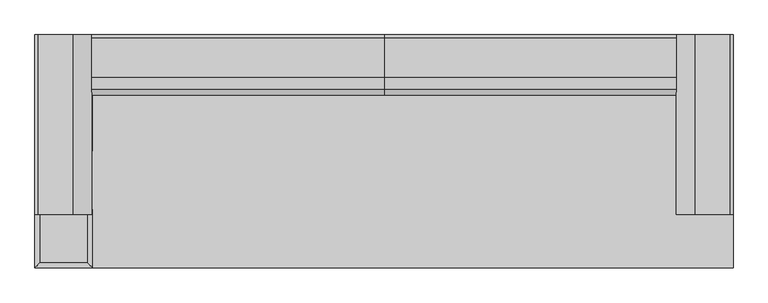
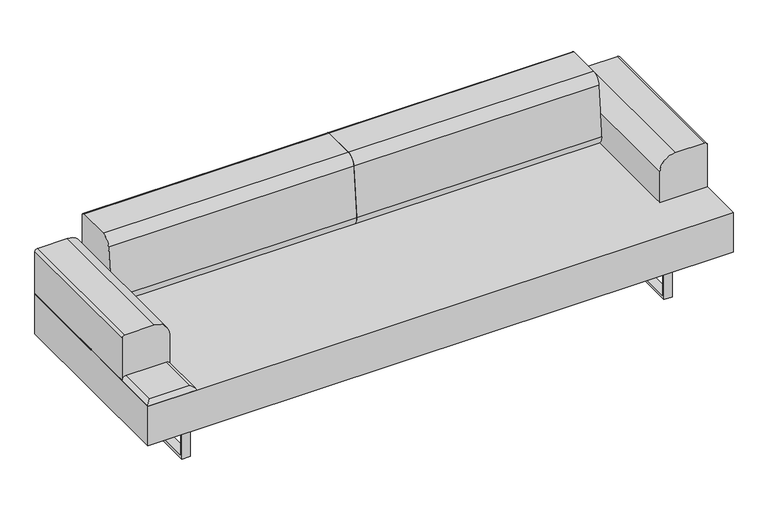
"""IFC4 building model written with IfcOpenShell, lengths in millimetres: furniture geometry."""

import ifcopenshell
import ifcopenshell.guid

model = None  # the IFC model being written
_history = None  # IfcOwnerHistory: only IFC2X3 demands one
_inside = {}  # id of a spatial element -> (the spatial element, [elements in it])
_under = {}  # id of a project, library or spatial element -> (it, [spatial elements below it])
_declared = {}  # id of a project -> (the project, [libraries it declares])
_typed = {}  # id of a type object -> (the type object, [elements of that type])
_made_of = {}  # id of a material, layer set ... -> (it, [elements and type objects made of it])


def new_model(schema):
    """Start an empty IFC model of exactly this schema.

    Asked for "IFC4X3", IfcOpenShell would pick the latest addendum, in which some entities
    have other attributes; the version numbers below select the first issue.
    IFC2X3 requires an IfcOwnerHistory on every rooted entity: one is made here for all.
    """
    global model, _history
    if schema == "IFC4X3":
        model = ifcopenshell.file(schema_version=(4, 3, 0, 0))
    else:
        model = ifcopenshell.file(schema=schema)
    _inside.clear()
    _under.clear()
    _declared.clear()
    _typed.clear()
    _made_of.clear()
    _history = None
    if model.schema == "IFC2X3":
        org = make("IfcOrganization", Name="unknown")
        user = make(
            "IfcPersonAndOrganization",
            ThePerson=make("IfcPerson", FamilyName="unknown"),
            TheOrganization=org,
        )
        app = make(
            "IfcApplication",
            ApplicationDeveloper=org,
            Version="unknown",
            ApplicationFullName="unknown",
            ApplicationIdentifier="unknown",
        )
        _history = make(
            "IfcOwnerHistory",
            OwningUser=user,
            OwningApplication=app,
            ChangeAction="ADDED",
            CreationDate=0,
        )
    return model


def make(cls, **values):
    """One entity of the class cls with the attributes given. An attribute that is None is left unset."""
    return model.create_entity(
        cls, **{name: value for name, value in values.items() if value is not None}
    )


def rooted(cls, **values):
    """An entity with a GlobalId (a new one), such as an element, a storey or a relation."""
    return make(cls, GlobalId=ifcopenshell.guid.new(), OwnerHistory=_history, **values)


def si_unit(unit_type, name, prefix=None):
    """IfcSIUnit, for example si_unit("LENGTHUNIT", "METRE", prefix="MILLI")."""
    return make("IfcSIUnit", UnitType=unit_type, Prefix=prefix, Name=name)


def assignment(units):
    """IfcUnitAssignment: the units of a project."""
    return None if units is None else make("IfcUnitAssignment", Units=units)


def point(xyz):
    """IfcCartesianPoint."""
    return None if xyz is None else make("IfcCartesianPoint", Coordinates=xyz)


def direction(xyz):
    """IfcDirection."""
    return None if xyz is None else make("IfcDirection", DirectionRatios=xyz)


def frame(location, z_axis=None, x_axis=None):
    """IfcAxis2Placement3D, a coordinate frame: its origin and axes. An axis left out is left unset."""
    return make(
        "IfcAxis2Placement3D",
        Location=point(location),
        Axis=direction(z_axis),
        RefDirection=direction(x_axis),
    )


def frame_2d(location, x_axis=None):
    """IfcAxis2Placement2D, a coordinate frame in the plane: its origin and x axis."""
    return make(
        "IfcAxis2Placement2D", Location=point(location), RefDirection=direction(x_axis)
    )


def origin():
    """The frame at (0, 0, 0) with its axes left unset."""
    return frame((0.0, 0.0, 0.0))


def place(relative_to, where):
    """IfcLocalPlacement: puts the frame where relative to a parent placement (None: the world)."""
    return make(
        "IfcLocalPlacement", PlacementRelTo=relative_to, RelativePlacement=where
    )


def context(
    kind, dimensions, precision=None, world=None, true_north=None, identifier=None
):
    """IfcGeometricRepresentationContext, for example the 3D "Model" context."""
    return make(
        "IfcGeometricRepresentationContext",
        ContextIdentifier=identifier,
        ContextType=kind,
        CoordinateSpaceDimension=dimensions,
        Precision=precision,
        WorldCoordinateSystem=world,
        TrueNorth=true_north,
    )


def project(units=None, contexts=None):
    """IfcProject with its units and contexts."""
    return rooted(
        "IfcProject",
        Name="project",
        RepresentationContexts=contexts,
        UnitsInContext=assignment(units),
    )


def spatial(cls, under=None, at=None, **own):
    """A site, building, storey or space (cls), placed at a placement, below another one or the project."""
    s = rooted(cls, ObjectPlacement=at, **own)
    if under is not None:
        _under.setdefault(under.id(), (under, []))[1].append(s)
    return s


def polyline(points):
    """IfcPolyline through the points."""
    return make("IfcPolyline", Points=[point(p) for p in points])


def circle_curve(where, radius):
    """IfcCircle in the frame where."""
    return make("IfcCircle", Position=where, Radius=radius)


def ellipse_curve(where, semi_axis1, semi_axis2):
    """IfcEllipse in the frame where."""
    return make(
        "IfcEllipse", Position=where, SemiAxis1=semi_axis1, SemiAxis2=semi_axis2
    )


def trimmed(basis, trim1, trim2, sense, master):
    """IfcTrimmedCurve: the piece of a basis curve between two trims."""
    return make(
        "IfcTrimmedCurve",
        BasisCurve=basis,
        Trim1=trim1,
        Trim2=trim2,
        SenseAgreement=sense,
        MasterRepresentation=master,
    )


def segment(curve, same_sense, transition):
    """IfcCompositeCurveSegment."""
    return make(
        "IfcCompositeCurveSegment",
        Transition=transition,
        SameSense=same_sense,
        ParentCurve=curve,
    )


def composite_curve(segments, self_intersect=None):
    """IfcCompositeCurve: segments joined end to end."""
    return make("IfcCompositeCurve", Segments=segments, SelfIntersect=self_intersect)


def outline(outer, holes=None, kind="AREA"):
    """IfcArbitraryClosedProfileDef: a profile drawn as a closed curve; with holes, ...WithVoids."""
    if holes is None:
        return make("IfcArbitraryClosedProfileDef", ProfileType=kind, OuterCurve=outer)
    return make(
        "IfcArbitraryProfileDefWithVoids",
        ProfileType=kind,
        OuterCurve=outer,
        InnerCurves=holes,
    )


def extrude(swept, where, along, depth):
    """IfcExtrudedAreaSolid: the profile swept, set in the frame where, extruded along a direction by depth."""
    return make(
        "IfcExtrudedAreaSolid",
        SweptArea=swept,
        Position=where,
        ExtrudedDirection=direction(along),
        Depth=depth,
    )


def shape(context_of_items, identifier, shape_type, items):
    """IfcShapeRepresentation: the items that make up one representation, for example the "Body"."""
    return make(
        "IfcShapeRepresentation",
        ContextOfItems=context_of_items,
        RepresentationIdentifier=identifier,
        RepresentationType=shape_type,
        Items=items,
    )


def source(mapping_origin, context_of_items, identifier, shape_type, items):
    """IfcRepresentationMap: a shape defined once, which mapped items show again and again."""
    return make(
        "IfcRepresentationMap",
        MappingOrigin=mapping_origin,
        MappedRepresentation=shape(context_of_items, identifier, shape_type, items),
    )


def transform(
    local_origin,
    x_axis=None,
    y_axis=None,
    z_axis=None,
    scale=None,
    scale2=None,
    scale3=None,
    uniform=True,
):
    """IfcCartesianTransformationOperator3D, or its non-uniform kind. x_axis, y_axis, z_axis: its Axis1, 2, 3."""
    if uniform:
        return make(
            "IfcCartesianTransformationOperator3D",
            Axis1=direction(x_axis),
            Axis2=direction(y_axis),
            LocalOrigin=point(local_origin),
            Scale=scale,
            Axis3=direction(z_axis),
        )
    return make(
        "IfcCartesianTransformationOperator3DnonUniform",
        Axis1=direction(x_axis),
        Axis2=direction(y_axis),
        LocalOrigin=point(local_origin),
        Scale=scale,
        Axis3=direction(z_axis),
        Scale2=scale2,
        Scale3=scale3,
    )


def mapped(mapping_source, mapping_target):
    """IfcMappedItem: shows the shape of a source again, moved by a transform."""
    return make(
        "IfcMappedItem", MappingSource=mapping_source, MappingTarget=mapping_target
    )


def made_of(thing, what):
    """Note that an element or type object is made of a material, layer set ...; save() writes the relation."""
    if what is not None:
        _made_of.setdefault(what.id(), (what, []))[1].append(thing)
    return thing


def element(
    cls,
    number,
    at=None,
    inside=None,
    cuts=None,
    type_object=None,
    material=None,
    context=None,
    identifier="Body",
    shape_type=None,
    held_by="IfcProductDefinitionShape",
    body=None,
    shapes=None,
    **own,
):
    """One element of the class cls, such as IfcWall. Its Tag is "e" and its number.

    at: its placement. inside: the storey or other place that contains it. cuts: it is an
    opening in that element (IfcRelVoidsElement). A single representation is given by context,
    identifier, shape_type and body (its items); several are given by shapes. held_by: the class
    of the entity that holds the representations. save() writes the other relations.
    """
    e = rooted(cls, Tag="e%d" % number, ObjectPlacement=at, **own)
    if body is not None:
        shapes = [shape(context, identifier, shape_type, body)]
    if shapes is not None:
        e.Representation = make(held_by, Representations=shapes)
    if inside is not None:
        _inside.setdefault(inside.id(), (inside, []))[1].append(e)
    if cuts is not None:
        rooted(
            "IfcRelVoidsElement", RelatingBuildingElement=cuts, RelatedOpeningElement=e
        )
    if type_object is not None:
        _typed.setdefault(type_object.id(), (type_object, []))[1].append(e)
    return made_of(e, material)


def aggregate(whole, parts):
    """IfcRelAggregates: a whole, such as a stair, and the parts it consists of."""
    return rooted("IfcRelAggregates", RelatingObject=whole, RelatedObjects=parts)


def save(model, path):
    """Write the relations noted so far, then the file.

    IfcRelAggregates (storeys below a building ...), IfcRelContainedInSpatialStructure (elements
    in a storey), IfcRelDefinesByType, IfcRelAssociatesMaterial and IfcRelDeclares: one each for
    every whole, place, type object, material and project.
    """
    for whole, parts in _under.values():
        aggregate(whole, parts)
    for where, things in _inside.values():
        rooted(
            "IfcRelContainedInSpatialStructure",
            RelatedElements=things,
            RelatingStructure=where,
        )
    for kind, things in _typed.values():
        rooted("IfcRelDefinesByType", RelatedObjects=things, RelatingType=kind)
    for what, things in _made_of.values():
        rooted("IfcRelAssociatesMaterial", RelatedObjects=things, RelatingMaterial=what)
    for by, libraries in _declared.values():
        rooted("IfcRelDeclares", RelatingContext=by, RelatedDefinitions=libraries)
    model.write(path)


def plane_surface(at):
    """IfcPlane: the flat surface through the origin of the frame at, square to its z axis."""
    return make("IfcPlane", Position=at)


def cylinder_surface(at, radius):
    """IfcCylindricalSurface: all points at the distance radius from the z axis of the frame at."""
    return make("IfcCylindricalSurface", Position=at, Radius=radius)


def advanced_brep(points, edges, surfaces, faces):
    """IfcAdvancedBrep: a solid bounded by faces that lie on surfaces and meet in shared edges.

    An edge is (start, end): straight between two places in points (the first is 0);
    or (start, end, curve); or (start, end, curve, False) where it runs against its curve.
    A face is (place in surfaces, loops), or (place, loops, False) where it looks against
    its surface's normal. A loop lists edges by number (the first is 1), with a minus sign
    where the edge is run from its end to its start. The first loop is the outer one.
    """
    corners = [point(p) for p in points]
    vertices = [make("IfcVertexPoint", VertexGeometry=c) for c in corners]
    made = []
    for start, end, *more in edges:
        made.append(
            make(
                "IfcEdgeCurve",
                EdgeStart=vertices[start],
                EdgeEnd=vertices[end],
                EdgeGeometry=more[0] if more else make("IfcPolyline", Points=[corners[start], corners[end]]),
                SameSense=more[1] if len(more) > 1 else True,
            )
        )
    hull = []
    for where, loops, *sense in faces:
        bounds = []
        for j, loop in enumerate(loops):
            ring = [make("IfcOrientedEdge", EdgeElement=made[abs(k) - 1], Orientation=k > 0) for k in loop]
            bounds.append(
                make(
                    "IfcFaceOuterBound" if j == 0 else "IfcFaceBound",
                    Bound=make("IfcEdgeLoop", EdgeList=ring),
                    Orientation=True,
                )
            )
        hull.append(make("IfcAdvancedFace", Bounds=bounds, FaceSurface=surfaces[where], SameSense=sense[0] if sense else True))
    return make("IfcAdvancedBrep", Outer=make("IfcClosedShell", CfsFaces=hull))


def furniture_8bf9a345(model_context):
    return source(origin(), model_context, "Body", "SolidModel", [
        advanced_brep(
        [(-1128.5755122, 17.9605122, 411.6605122), (-1128.5755122, 204.2894878, 411.6605122), (-1312.3644878, 204.2894878, 411.6605122), (-1312.3644878, 17.9605122, 411.6605122), (-1110.615, 222.25, 393.7), (-1110.615, 0.0, 393.7), (-1330.325, 0.0, 393.7), (-1330.325, 222.25, 393.7)],
        [
            (0, 1),
            (1, 2),
            (2, 3),
            (3, 0),
            (4, 5),
            (5, 6),
            (6, 7),
            (7, 4),
            (4, 1, ellipse_curve(frame((-1128.5755122, 204.2894878, 393.7), z_axis=(0.7071067811865475, -0.7071067811865475, 0.0), x_axis=(0.7071067811865474, 0.7071067811865476, 0.0)), 25.4, 17.9605122)),
            (0, 5, ellipse_curve(frame((-1128.5755122, 17.9605122, 393.7), z_axis=(0.7071067811865475, 0.7071067811865475, 0.0), x_axis=(-0.7071067811865474, 0.7071067811865476, 0.0)), 25.4, 17.9605122)),
            (3, 6, ellipse_curve(frame((-1312.3644878, 17.9605122, 393.7), z_axis=(0.7071067811865475, -0.7071067811865475, 0.0), x_axis=(0.7071067811865476, 0.7071067811865474, 0.0)), 25.4, 17.9605122)),
            (2, 7, ellipse_curve(frame((-1312.3644878, 204.2894878, 393.7), z_axis=(-0.7071067811865475, -0.7071067811865475, 0.0), x_axis=(0.7071067811865474, -0.7071067811865476, 0.0)), 25.4, 17.9605122)),
        ],
        [
            plane_surface(frame((-1312.3644878, 204.2894878, 411.6605122), z_axis=(0.0, 0.0, 1.0), x_axis=(-1.0, 0.0, 0.0))),
            plane_surface(frame((-1312.3644878, 204.2894878, 393.7), z_axis=(0.0, 0.0, -1.0), x_axis=(1.0, 0.0, 0.0))),
            cylinder_surface(frame((-1128.5755122, 222.25, 393.7), z_axis=(0.0, 1.0, 0.0), x_axis=(1.0, 0.0, 0.0)), 17.9605122),
            cylinder_surface(frame((-1110.615, 17.9605122, 393.7), z_axis=(1.0, 0.0, 0.0), x_axis=(0.0, -1.0, 0.0)), 17.9605122),
            cylinder_surface(frame((-1312.3644878, 0.0, 393.7), z_axis=(0.0, -1.0, 0.0), x_axis=(-1.0, 0.0, 0.0)), 17.9605122),
            cylinder_surface(frame((-1330.325, 204.2894878, 393.7), z_axis=(-1.0, 0.0, 0.0), x_axis=(0.0, 1.0, 0.0)), 17.9605122),
        ],
        [
            (0, [[1, 2, 3, 4]]),
            (1, [[5, 6, 7, 8]]),
            (2, [[9, -1, 10, -5]]),
            (3, [[-10, -4, 11, -6]]),
            (4, [[-11, -3, 12, -7]]),
            (5, [[-9, -8, -12, -2]]),
        ],
    ),
        advanced_brep(
        [(-1128.5755122, 240.2105122, 411.6605122), (-1128.5755122, 426.5394878, 411.6605122), (-1312.3644878, 426.5394878, 411.6605122), (-1312.3644878, 240.2105122, 411.6605122), (-1110.615, 444.5, 393.7), (-1110.615, 222.25, 393.7), (-1330.325, 222.25, 393.7), (-1330.325, 444.5, 393.7)],
        [
            (0, 1),
            (1, 2),
            (2, 3),
            (3, 0),
            (4, 5),
            (5, 6),
            (6, 7),
            (7, 4),
            (4, 1, ellipse_curve(frame((-1128.5755122, 426.5394878, 393.7), z_axis=(0.7071067811865475, -0.7071067811865475, 0.0), x_axis=(0.7071067811865474, 0.7071067811865476, 0.0)), 25.4, 17.9605122)),
            (0, 5, ellipse_curve(frame((-1128.5755122, 240.2105122, 393.7), z_axis=(0.7071067811865475, 0.7071067811865475, 0.0), x_axis=(-0.7071067811865474, 0.7071067811865476, 0.0)), 25.4, 17.9605122)),
            (3, 6, ellipse_curve(frame((-1312.3644878, 240.2105122, 393.7), z_axis=(0.7071067811865475, -0.7071067811865475, 0.0), x_axis=(0.7071067811865476, 0.7071067811865474, 0.0)), 25.4, 17.9605122)),
            (2, 7, ellipse_curve(frame((-1312.3644878, 426.5394878, 393.7), z_axis=(-0.7071067811865475, -0.7071067811865475, 0.0), x_axis=(0.7071067811865474, -0.7071067811865476, 0.0)), 25.4, 17.9605122)),
        ],
        [
            plane_surface(frame((-1312.3644878, 426.5394878, 411.6605122), z_axis=(0.0, 0.0, 1.0), x_axis=(-1.0, 0.0, 0.0))),
            plane_surface(frame((-1312.3644878, 426.5394878, 393.7), z_axis=(0.0, 0.0, -1.0), x_axis=(1.0, 0.0, 0.0))),
            cylinder_surface(frame((-1128.5755122, 444.5, 393.7), z_axis=(0.0, 1.0, 0.0), x_axis=(1.0, 0.0, 0.0)), 17.9605122),
            cylinder_surface(frame((-1110.615, 240.2105122, 393.7), z_axis=(1.0, 0.0, 0.0), x_axis=(0.0, -1.0, 0.0)), 17.9605122),
            cylinder_surface(frame((-1312.3644878, 222.25, 393.7), z_axis=(0.0, -1.0, 0.0), x_axis=(-1.0, 0.0, 0.0)), 17.9605122),
            cylinder_surface(frame((-1330.325, 426.5394878, 393.7), z_axis=(-1.0, 0.0, 0.0), x_axis=(0.0, 1.0, 0.0)), 17.9605122),
        ],
        [
            (0, [[1, 2, 3, 4]]),
            (1, [[5, 6, 7, 8]]),
            (2, [[9, -1, 10, -5]]),
            (3, [[-10, -4, 11, -6]]),
            (4, [[-11, -3, 12, -7]]),
            (5, [[-9, -8, -12, -2]]),
        ],
    ),
        advanced_brep(
        [(-1110.615, -222.25, 393.7), (-1128.5755122, -240.2105122, 411.6605122), (-1128.5755122, -426.5394878, 411.6605122), (-1110.615, -444.5, 393.7), (-1312.3644878, -426.5394878, 411.6605122), (-1330.325, -444.5, 393.7), (-1312.3644878, -240.2105122, 411.6605122), (-1330.325, -222.25, 393.7)],
        [
            (0, 1, ellipse_curve(frame((-1128.5755122, -240.2105122, 393.7), z_axis=(0.7071067811865475, -0.7071067811865475, 0.0), x_axis=(0.7071067811865474, 0.7071067811865476, 0.0)), 25.4, 17.9605122)),
            (1, 2),
            (2, 3, ellipse_curve(frame((-1128.5755122, -426.5394878, 393.7), z_axis=(0.7071067811865475, 0.7071067811865475, 0.0), x_axis=(-0.7071067811865474, 0.7071067811865476, 0.0)), 25.4, 17.9605122)),
            (3, 0),
            (2, 4),
            (4, 5, ellipse_curve(frame((-1312.3644878, -426.5394878, 393.7), z_axis=(0.7071067811865475, -0.7071067811865475, 0.0), x_axis=(0.7071067811865476, 0.7071067811865474, 0.0)), 25.4, 17.9605122)),
            (5, 3),
            (4, 6),
            (6, 7, ellipse_curve(frame((-1312.3644878, -240.2105122, 393.7), z_axis=(-0.7071067811865475, -0.7071067811865475, 0.0), x_axis=(0.7071067811865474, -0.7071067811865476, 0.0)), 25.4, 17.9605122)),
            (7, 5),
            (0, 7),
            (6, 1),
        ],
        [
            cylinder_surface(frame((-1128.5755122, -222.25, 393.7), z_axis=(0.0, 1.0, 0.0), x_axis=(1.0, 0.0, 0.0)), 17.9605122),
            cylinder_surface(frame((-1110.615, -426.5394878, 393.7), z_axis=(1.0, 0.0, 0.0), x_axis=(0.0, -1.0, 0.0)), 17.9605122),
            cylinder_surface(frame((-1312.3644878, -444.5, 393.7), z_axis=(0.0, -1.0, 0.0), x_axis=(-1.0, 0.0, 0.0)), 17.9605122),
            cylinder_surface(frame((-1330.325, -240.2105122, 393.7), z_axis=(-1.0, 0.0, 0.0), x_axis=(0.0, 1.0, 0.0)), 17.9605122),
            plane_surface(frame((-1330.325, -222.25, 393.7), z_axis=(0.0, 0.0, -1.0), x_axis=(1.0, 0.0, 0.0))),
            plane_surface(frame((-1312.3644878, -240.2105122, 411.6605122), z_axis=(0.0, 0.0, 1.0), x_axis=(-1.0, 0.0, 0.0))),
        ],
        [
            (0, [[1, 2, 3, 4]]),
            (1, [[-3, 5, 6, 7]]),
            (2, [[-6, 8, 9, 10]]),
            (3, [[-1, 11, -9, 12]]),
            (4, [[-4, -7, -10, -11]]),
            (5, [[-2, -12, -8, -5]]),
        ],
    ),
        extrude(outline(polyline([(-339.4724839, 0.0), (-339.4724839, 203.2), (341.6588694, 203.2), (341.6588694, 0.0), (-339.4724839, 0.0)]), holes=[polyline([(-326.7724839, 190.5), (-326.7724839, 12.7), (328.9588694, 12.7), (328.9588694, 190.5), (-326.7724839, 190.5)])]), frame((-1114.425, 0.0, 0.0), z_axis=(1.0, 0.0, 0.0), x_axis=(0.0, 1.0, 0.0)), (0.0, 0.0, 1.0), 38.0999535),
        extrude(outline(polyline([(-339.4724839, 203.2), (341.6588694, 203.2), (341.6588694, 0.0), (-339.4724839, 0.0), (-339.4724839, 203.2)]), holes=[polyline([(-326.7724839, 12.7), (328.9588694, 12.7), (328.9588694, 190.5), (-326.7724839, 190.5), (-326.7724839, 12.7)])]), frame((1076.3250465, 0.0, 0.0), z_axis=(1.0, 0.0, 0.0), x_axis=(0.0, 1.0, 0.0)), (0.0, 0.0, 1.0), 38.0999535),
        extrude(outline(polyline([(1330.325, 444.5), (1330.325, -444.5), (-1330.325, -444.5), (-1330.325, 444.5), (1330.325, 444.5)])), frame((0.0, 0.0, 203.2), z_axis=(0.0, 0.0, 1.0), x_axis=(1.0, 0.0, 0.0)), (0.0, 0.0, 1.0), 190.5),
        extrude(outline(composite_curve([segment(trimmed(circle_curve(frame_2d((596.9, 1317.625)), 12.7), [point((596.9, 1330.325))], [point((609.6, 1317.625))], False, "CARTESIAN"), True, "CONTINUOUS"), segment(polyline([(609.6, 1317.625), (609.6, 1184.2752345)]), True, "CONTINUOUS"), segment(trimmed(circle_curve(frame_2d((539.7497655, 1184.2752345)), 69.8502345), [point((609.6, 1184.2752345))], [point((539.7497655, 1114.425))], False, "CARTESIAN"), True, "CONTINUOUS"), segment(polyline([(539.7497655, 1114.425), (393.7, 1114.425), (393.7, 1330.325), (596.9, 1330.325)]), True, "CONTINUOUS")], self_intersect=False)), frame((0.0, -241.3, 0.0), z_axis=(0.0, 1.0, 0.0), x_axis=(0.0, 0.0, 1.0)), (0.0, 0.0, 1.0), 685.8),
        extrude(outline(composite_curve([segment(polyline([(444.5, 393.7), (232.6067514, 393.7)]), True, "CONTINUOUS"), segment(trimmed(circle_curve(frame_2d((263.4189927, 430.9463408)), 48.3392606), [point((232.6067514, 393.7))], [point((215.3053904, 435.6116811))], False, "CARTESIAN"), True, "CONTINUOUS"), segment(polyline([(215.3053904, 435.6116811), (237.9512344, 669.1580194)]), True, "CONTINUOUS"), segment(trimmed(circle_curve(frame_2d((282.1937319, 664.8680412)), 44.45), [point((237.9512344, 669.1580194))], [point((282.1937319, 709.3180412))], False, "CARTESIAN"), True, "CONTINUOUS"), segment(polyline([(282.1937319, 709.3180412), (434.544558, 709.3180412)]), True, "CONTINUOUS"), segment(trimmed(circle_curve(frame_2d((434.544558, 699.3625993)), 9.955442), [point((434.544558, 709.3180412))], [point((444.5, 699.3625993))], False, "CARTESIAN"), True, "CONTINUOUS"), segment(polyline([(444.5, 699.3625993), (444.5, 393.7)]), True, "CONTINUOUS")], self_intersect=False)), frame((-1114.425, 0.0, 0.0), z_axis=(1.0, 0.0, 0.0), x_axis=(0.0, 1.0, 0.0)), (0.0, 0.0, 1.0), 1114.425),
        extrude(outline(composite_curve([segment(polyline([(596.9, -1330.325), (393.7, -1330.325), (393.7, -1114.425), (539.7497655, -1114.425)]), True, "CONTINUOUS"), segment(trimmed(circle_curve(frame_2d((539.7497655, -1184.2752345)), 69.8502345), [point((539.7497655, -1114.425))], [point((609.6, -1184.2752345))], False, "CARTESIAN"), True, "CONTINUOUS"), segment(polyline([(609.6, -1184.2752345), (609.6, -1317.625)]), True, "CONTINUOUS"), segment(trimmed(circle_curve(frame_2d((596.9, -1317.625)), 12.7), [point((609.6, -1317.625))], [point((596.9, -1330.325))], False, "CARTESIAN"), True, "CONTINUOUS")], self_intersect=False)), frame((0.0, -241.3, 0.0), z_axis=(0.0, 1.0, 0.0), x_axis=(0.0, 0.0, 1.0)), (0.0, 0.0, 1.0), 685.8),
        extrude(outline(composite_curve([segment(polyline([(444.5, 393.7), (232.6067514, 393.7)]), True, "CONTINUOUS"), segment(trimmed(circle_curve(frame_2d((263.4189927, 430.9463408)), 48.3392606), [point((232.6067514, 393.7))], [point((215.3053904, 435.6116811))], False, "CARTESIAN"), True, "CONTINUOUS"), segment(polyline([(215.3053904, 435.6116811), (237.9512344, 669.1580194)]), True, "CONTINUOUS"), segment(trimmed(circle_curve(frame_2d((282.1937319, 664.8680412)), 44.45), [point((237.9512344, 669.1580194))], [point((282.1937319, 709.3180412))], False, "CARTESIAN"), True, "CONTINUOUS"), segment(polyline([(282.1937319, 709.3180412), (434.544558, 709.3180412)]), True, "CONTINUOUS"), segment(trimmed(circle_curve(frame_2d((434.544558, 699.3625993)), 9.955442), [point((434.544558, 709.3180412))], [point((444.5, 699.3625993))], False, "CARTESIAN"), True, "CONTINUOUS"), segment(polyline([(444.5, 699.3625993), (444.5, 393.7)]), True, "CONTINUOUS")], self_intersect=False)), frame((0.0, 0.0, 0.0), z_axis=(1.0, 0.0, 0.0), x_axis=(0.0, 1.0, 0.0)), (0.0, 0.0, 1.0), 1114.425),
    ])


if __name__ == "__main__":
    model = new_model("IFC4")
    model_context = context("Model", 3, world=origin())
    ifc_project = project(units=[si_unit("LENGTHUNIT", "METRE", prefix="MILLI")], contexts=[model_context])
    site = spatial("IfcSite", under=ifc_project)
    building = spatial("IfcBuilding", under=site)
    placement = place(None, origin())
    furniture_shape = furniture_8bf9a345(model_context)
    element("IfcFurniture", 1, at=placement, inside=building, context=model_context, shape_type="MappedRepresentation", body=[
        mapped(furniture_shape, transform((0.0, 0.0, 0.0), x_axis=(1.0, 0.0, 0.0), y_axis=(0.0, 1.0, 0.0), z_axis=(0.0, 0.0, 1.0))),
    ])
    save(model, "model.ifc")
